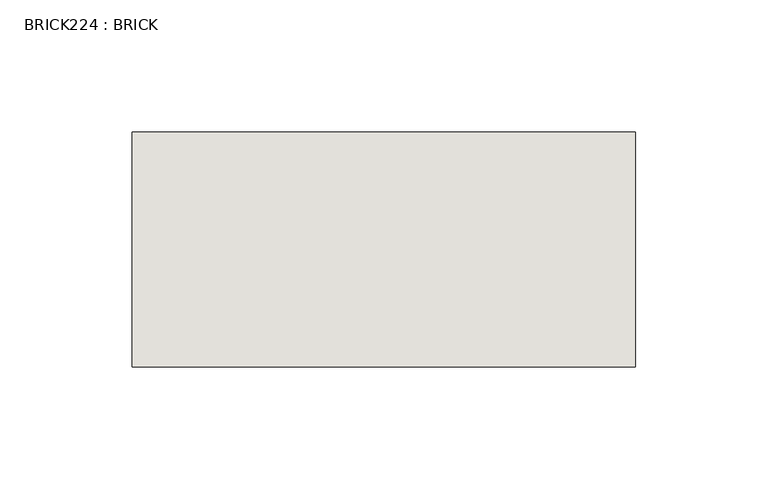
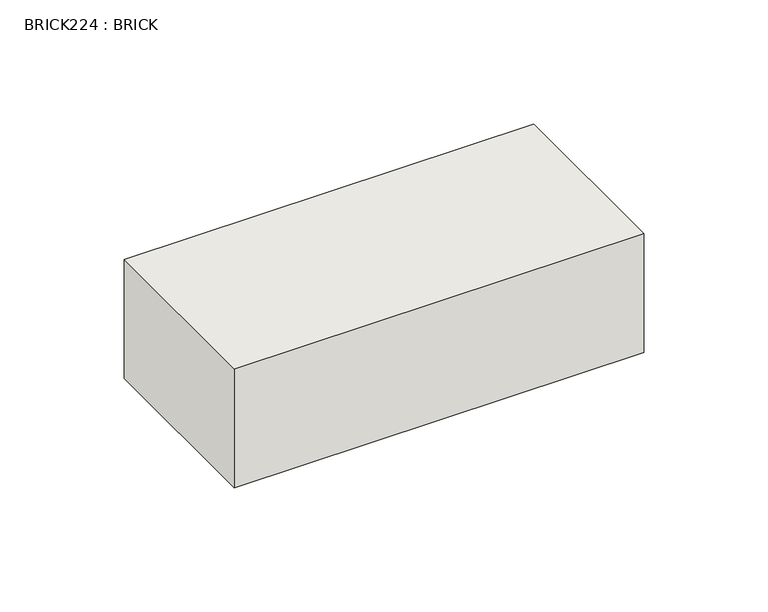
"""IFC4 building model written with IfcOpenShell, lengths in millimetres: wall geometry, BRICK224 : BRICK."""

from ifc_helpers import new_model, si_unit, frame, origin, place, context, project, spatial, polyline, outline, extrude, source, transform, mapped, element, save


def brick224_brick_3038f77c(model_context):
    return source(origin(), model_context, "Body", "SweptSolid", [
        extrude(outline(polyline([(-1277.8574357, 3062.3923312), (-1087.3574357, 3062.3923312), (-1087.3574357, 2973.4923312), (-1277.8574357, 2973.4923312), (-1277.8574357, 3062.3923312)])), frame((0.0, 0.0, 423.2671875), z_axis=(0.0, 0.0, 1.0), x_axis=(1.0, 0.0, 0.0)), (0.0, 0.0, 1.0), 58.4398437),
    ])


if __name__ == "__main__":
    model = new_model("IFC4")
    model_context = context("Model", 3, world=origin())
    ifc_project = project(units=[si_unit("LENGTHUNIT", "METRE", prefix="MILLI")], contexts=[model_context])
    site = spatial("IfcSite", under=ifc_project)
    building = spatial("IfcBuilding", under=site)
    placement = place(None, origin())
    brick224_brick_shape = brick224_brick_3038f77c(model_context)
    element("IfcWall", 1, ObjectType="BRICK224 : BRICK", at=placement, inside=building, context=model_context, shape_type="MappedRepresentation", body=[
        mapped(brick224_brick_shape, transform((0.0, 0.0, 0.0), x_axis=(1.0, 0.0, 0.0), y_axis=(0.0, 1.0, 0.0), z_axis=(0.0, 0.0, 1.0))),
    ])
    save(model, "model.ifc")
